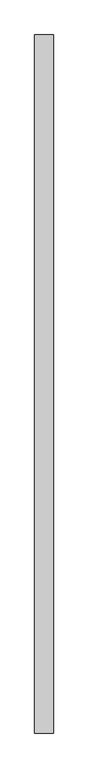
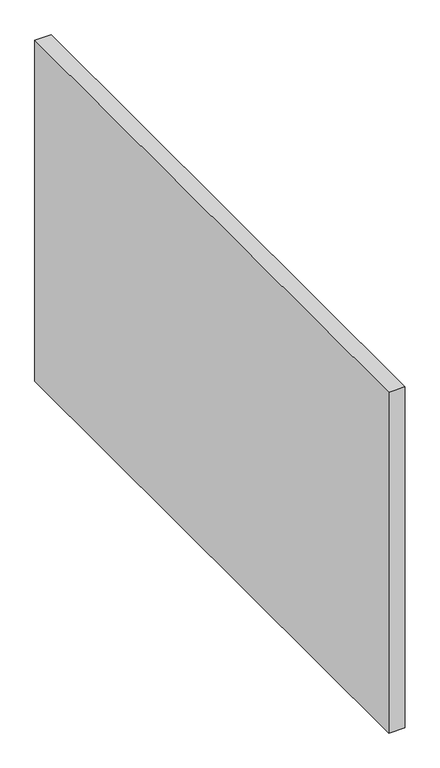
"""IFC4 building model written with IfcOpenShell, lengths in millimetres: proxy geometry."""

from ifc_helpers import new_model, si_unit, frame, origin, place, context, project, spatial, polyline, outline, extrude, source, transform, mapped, element, save


def generic_models_f6666f9d(model_context):
    return source(origin(), model_context, "Body", "SweptSolid", [
        extrude(outline(polyline([(60372.9981625, 77562.6059976), (64372.9981625, 77562.6059976), (64372.9981625, -72437.3940024), (60372.9981625, -72437.3940024), (60372.9981625, 77562.6059976)])), frame((0.0, 0.0, -34416.0969671), z_axis=(0.0, 0.0, 1.0), x_axis=(1.0, 0.0, 0.0)), (0.0, 0.0, 1.0), 88156.7159529),
    ])


if __name__ == "__main__":
    model = new_model("IFC4")
    model_context = context("Model", 3, world=origin())
    ifc_project = project(units=[si_unit("LENGTHUNIT", "METRE", prefix="MILLI")], contexts=[model_context])
    site = spatial("IfcSite", under=ifc_project)
    building = spatial("IfcBuilding", under=site)
    placement = place(None, origin())
    generic_models_shape = generic_models_f6666f9d(model_context)
    element("IfcBuildingElementProxy", 1, Name="Generic Models", at=placement, inside=building, context=model_context, shape_type="MappedRepresentation", body=[
        mapped(generic_models_shape, transform((0.0, 0.0, 0.0), x_axis=(1.0, 0.0, 0.0), y_axis=(0.0, 1.0, 0.0), z_axis=(0.0, 0.0, 1.0))),
    ])
    save(model, "model.ifc")
